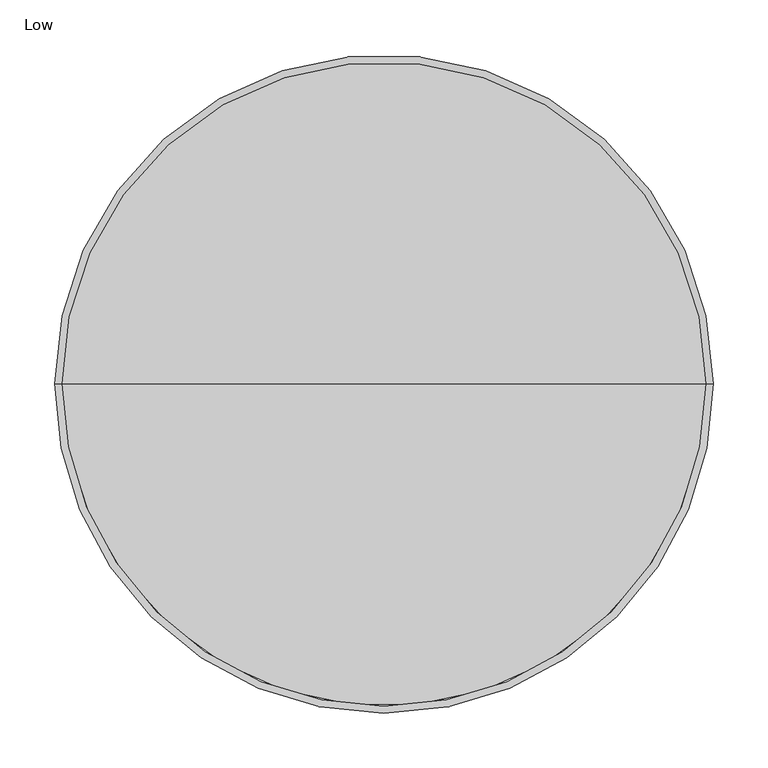
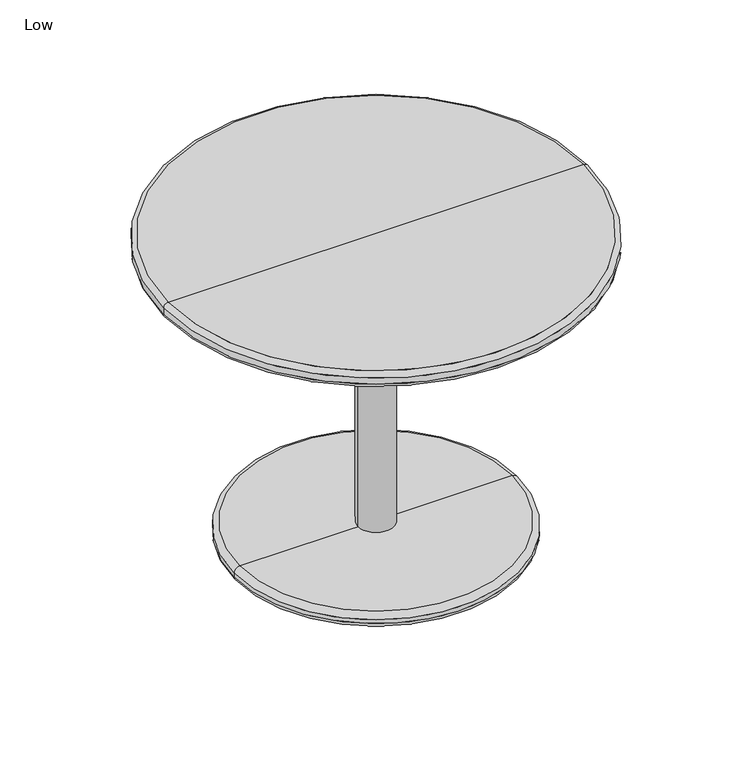
"""IFC4 building model written with IfcOpenShell, lengths in millimetres: furniture geometry, Low."""

from ifc_helpers import new_model, si_unit, point, frame, origin, origin_2d, place, context, project, spatial, circle_curve, ellipse_curve, trimmed, segment, composite_curve, outline, extrude, source, transform, mapped, element, save
from ifc_brep_helpers import plane_surface, cylinder_surface, revolved_surface, advanced_brep


def low_88b772bf(model_context):
    return source(origin(), model_context, "Body", "SolidModel", [
        extrude(outline(composite_curve([segment(trimmed(circle_curve(origin_2d(), 25.4), [point((-25.4, 0.0))], [point((25.4, 0.0))], False, "CARTESIAN"), True, "CONTINUOUS"), segment(trimmed(circle_curve(origin_2d(), 25.4), [point((25.4, 0.0))], [point((-25.4, 0.0))], False, "CARTESIAN"), True, "CONTINUOUS")], self_intersect=False)), frame((0.0, 0.0, 21.1840858), z_axis=(0.0, 0.0, 1.0), x_axis=(1.0, 0.0, 0.0)), (0.0, 0.0, 1.0), 406.935482),
        advanced_brep(
        [(200.3535767, 0.0, 13.5640858), (-200.3535767, 0.0, 13.5640858), (-192.7335767, 0.0, 21.1840858), (192.7335767, 0.0, 21.1840858), (200.3535767, 0.0, 7.62), (-200.3535767, 0.0, 7.62), (192.7335767, 0.0, 0.0), (-192.7335767, 0.0, 0.0), (0.0, 0.0, 0.0), (0.0, 0.0, 21.1840858)],
        [
            (0, 1, circle_curve(frame((0.0, 0.0, 13.5640858), z_axis=(0.0, 0.0, 1.0), x_axis=(-1.0, 0.0, 0.0)), 200.3535767)),
            (1, 2, circle_curve(frame((-192.7335767, 0.0, 13.5640858), z_axis=(0.0, 1.0, 0.0), x_axis=(1.0, 0.0, 0.0)), 7.62)),
            (2, 3, circle_curve(frame((0.0, 0.0, 21.1840858), z_axis=(0.0, 0.0, -1.0), x_axis=(-1.0, 0.0, 0.0)), 192.7335767)),
            (3, 0, circle_curve(frame((192.7335767, 0.0, 13.5640858), z_axis=(0.0, 1.0, 0.0), x_axis=(-1.0, 0.0, 0.0)), 7.62)),
            (1, 0, circle_curve(frame((0.0, 0.0, 13.5640858), z_axis=(0.0, 0.0, 1.0), x_axis=(-1.0, 0.0, 0.0)), 200.3535767)),
            (3, 2, circle_curve(frame((0.0, 0.0, 21.1840858), z_axis=(0.0, 0.0, -1.0), x_axis=(-1.0, 0.0, 0.0)), 192.7335767)),
            (4, 5, circle_curve(frame((0.0, 0.0, 7.62), z_axis=(0.0, 0.0, 1.0), x_axis=(-1.0, 0.0, 0.0)), 200.3535767)),
            (5, 1),
            (0, 4),
            (5, 4, circle_curve(frame((0.0, 0.0, 7.62), z_axis=(0.0, 0.0, 1.0), x_axis=(-1.0, 0.0, 0.0)), 200.3535767)),
            (6, 7, circle_curve(frame((0.0, 0.0, 0.0), z_axis=(0.0, 0.0, 1.0), x_axis=(-1.0, 0.0, 0.0)), 192.7335767)),
            (7, 5, circle_curve(frame((-192.7335767, 0.0, 7.62), z_axis=(0.0, 1.0, 0.0), x_axis=(1.0, 0.0, 0.0)), 7.62)),
            (4, 6, circle_curve(frame((192.7335767, 0.0, 7.62), z_axis=(0.0, 1.0, 0.0), x_axis=(-1.0, 0.0, 0.0)), 7.62)),
            (7, 6, circle_curve(frame((0.0, 0.0, 0.0), z_axis=(0.0, 0.0, 1.0), x_axis=(-1.0, 0.0, 0.0)), 192.7335767)),
            (8, 7),
            (6, 8),
            (2, 9),
            (9, 3),
        ],
        [
            revolved_surface(trimmed(ellipse_curve(frame((-192.7335767, 0.0, 13.5640858), z_axis=(0.0, -1.0, 0.0), x_axis=(1.0, 0.0, 0.0)), 7.62, 7.62), [point((-192.7335767, 0.0, 21.1840858))], [point((-200.3535767, 0.0, 13.5640858))], True, "CARTESIAN"), (0.0, 0.0, -266.7), (0.0, 0.0, -1.0)),
            cylinder_surface(frame((0.0, 0.0, -266.7), z_axis=(0.0, 0.0, -1.0), x_axis=(-1.0, 0.0, 0.0)), 200.3535767),
            revolved_surface(trimmed(ellipse_curve(frame((-192.7335767, 0.0, 7.62), z_axis=(0.0, -1.0, 0.0), x_axis=(1.0, 0.0, 0.0)), 7.62, 7.62), [point((-200.3535767, 0.0, 7.62))], [point((-192.7335767, 0.0, 0.0))], True, "CARTESIAN"), (0.0, 0.0, -266.7), (0.0, 0.0, -1.0)),
            plane_surface(frame((0.0, 0.0, 0.0), z_axis=(0.0, 0.0, -1.0), x_axis=(-1.0, 0.0, 0.0))),
            plane_surface(frame((0.0, 0.0, 21.1840858), z_axis=(0.0, 0.0, 1.0), x_axis=(-1.0, 0.0, 0.0))),
        ],
        [
            (0, [[1, 2, 3, 4]]),
            (0, [[5, -4, 6, -2]]),
            (1, [[7, 8, -1, 9]]),
            (1, [[10, -9, -5, -8]]),
            (2, [[11, 12, -7, 13]]),
            (2, [[14, -13, -10, -12]]),
            (3, [[15, -11, 16]]),
            (3, [[-16, -14, -15]]),
            (4, [[-3, 17, 18]]),
            (4, [[-6, -18, -17]]),
        ],
    ),
        advanced_brep(
        [(300.0, 0.0, 443.65), (-300.0, 0.0, 443.65), (-293.65, 0.0, 450.0), (293.65, 0.0, 450.0), (300.0, 0.0, 434.4695679), (-300.0, 0.0, 434.4695679), (293.65, 0.0, 428.1195679), (-293.65, 0.0, 428.1195679), (0.0, 0.0, 428.1195679), (0.0, 0.0, 450.0)],
        [
            (0, 1, circle_curve(frame((0.0, 0.0, 443.65), z_axis=(0.0, 0.0, 1.0), x_axis=(-1.0, 0.0, 0.0)), 300.0)),
            (1, 2, circle_curve(frame((-293.65, 0.0, 443.65), z_axis=(0.0, 1.0, 0.0), x_axis=(1.0, 0.0, 0.0)), 6.35)),
            (2, 3, circle_curve(frame((0.0, 0.0, 450.0), z_axis=(0.0, 0.0, -1.0), x_axis=(-1.0, 0.0, 0.0)), 293.65)),
            (3, 0, circle_curve(frame((293.65, 0.0, 443.65), z_axis=(0.0, 1.0, 0.0), x_axis=(-1.0, 0.0, 0.0)), 6.35)),
            (1, 0, circle_curve(frame((0.0, 0.0, 443.65), z_axis=(0.0, 0.0, 1.0), x_axis=(-1.0, 0.0, 0.0)), 300.0)),
            (3, 2, circle_curve(frame((0.0, 0.0, 450.0), z_axis=(0.0, 0.0, -1.0), x_axis=(-1.0, 0.0, 0.0)), 293.65)),
            (4, 5, circle_curve(frame((0.0, 0.0, 434.4695679), z_axis=(0.0, 0.0, 1.0), x_axis=(-1.0, 0.0, 0.0)), 300.0)),
            (5, 1),
            (0, 4),
            (5, 4, circle_curve(frame((0.0, 0.0, 434.4695679), z_axis=(0.0, 0.0, 1.0), x_axis=(-1.0, 0.0, 0.0)), 300.0)),
            (6, 7, circle_curve(frame((0.0, 0.0, 428.1195679), z_axis=(0.0, 0.0, 1.0), x_axis=(-1.0, 0.0, 0.0)), 293.65)),
            (7, 5, circle_curve(frame((-293.65, 0.0, 434.4695679), z_axis=(0.0, 1.0, 0.0), x_axis=(1.0, 0.0, 0.0)), 6.35)),
            (4, 6, circle_curve(frame((293.65, 0.0, 434.4695679), z_axis=(0.0, 1.0, 0.0), x_axis=(-1.0, 0.0, 0.0)), 6.35)),
            (7, 6, circle_curve(frame((0.0, 0.0, 428.1195679), z_axis=(0.0, 0.0, 1.0), x_axis=(-1.0, 0.0, 0.0)), 293.65)),
            (8, 7),
            (6, 8),
            (2, 9),
            (9, 3),
        ],
        [
            revolved_surface(trimmed(ellipse_curve(frame((-293.65, 0.0, 443.65), z_axis=(0.0, -1.0, 0.0), x_axis=(1.0, 0.0, 0.0)), 6.35, 6.35), [point((-293.65, 0.0, 450.0))], [point((-300.0, 0.0, 443.65))], True, "CARTESIAN"), (0.0, 0.0, 532.55), (0.0, 0.0, -1.0)),
            cylinder_surface(frame((0.0, 0.0, 532.55), z_axis=(0.0, 0.0, -1.0), x_axis=(-1.0, 0.0, 0.0)), 300.0),
            revolved_surface(trimmed(ellipse_curve(frame((-293.65, 0.0, 434.4695679), z_axis=(0.0, -1.0, 0.0), x_axis=(1.0, 0.0, 0.0)), 6.35, 6.35), [point((-300.0, 0.0, 434.4695679))], [point((-293.65, 0.0, 428.1195679))], True, "CARTESIAN"), (0.0, 0.0, 532.55), (0.0, 0.0, -1.0)),
            plane_surface(frame((0.0, 0.0, 428.1195679), z_axis=(0.0, 0.0, -1.0), x_axis=(-1.0, 0.0, 0.0))),
            plane_surface(frame((0.0, 0.0, 450.0), z_axis=(0.0, 0.0, 1.0), x_axis=(-1.0, 0.0, 0.0))),
        ],
        [
            (0, [[1, 2, 3, 4]]),
            (0, [[5, -4, 6, -2]]),
            (1, [[7, 8, -1, 9]]),
            (1, [[10, -9, -5, -8]]),
            (2, [[11, 12, -7, 13]]),
            (2, [[14, -13, -10, -12]]),
            (3, [[15, -11, 16]]),
            (3, [[-16, -14, -15]]),
            (4, [[-3, 17, 18]]),
            (4, [[-6, -18, -17]]),
        ],
    ),
    ])


if __name__ == "__main__":
    model = new_model("IFC4")
    model_context = context("Model", 3, world=origin())
    ifc_project = project(units=[si_unit("LENGTHUNIT", "METRE", prefix="MILLI")], contexts=[model_context])
    site = spatial("IfcSite", under=ifc_project)
    building = spatial("IfcBuilding", under=site)
    placement = place(None, origin())
    low_shape = low_88b772bf(model_context)
    element("IfcFurniture", 1, ObjectType="Low", at=placement, inside=building, context=model_context, shape_type="MappedRepresentation", body=[
        mapped(low_shape, transform((0.0, 0.0, 0.0), x_axis=(1.0, 0.0, 0.0), y_axis=(0.0, 1.0, 0.0), z_axis=(0.0, 0.0, 1.0))),
    ])
    save(model, "model.ifc")
